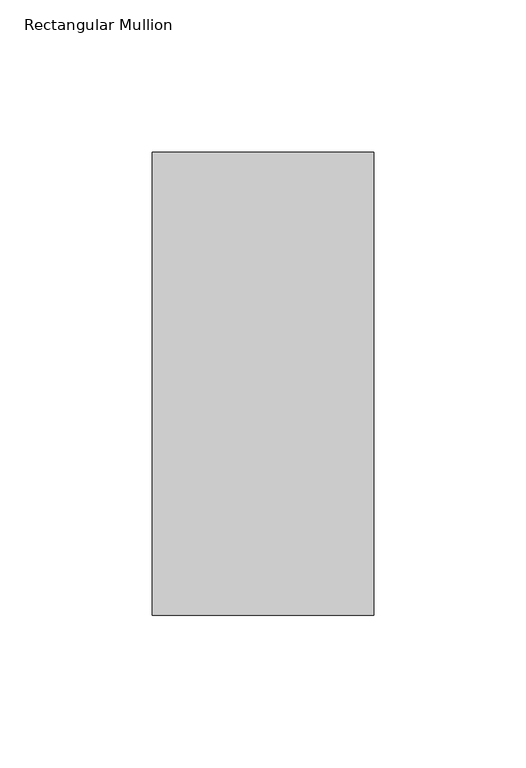
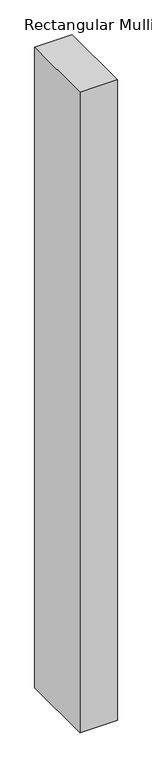
"""IFC4 building model written with IfcOpenShell, lengths in millimetres: member geometry, Rectangular Mullion."""

from ifc_helpers import new_model, si_unit, frame, origin, place, context, project, spatial, polyline, outline, extrude, source, transform, mapped, element, save


def rectangular_mullion_6696e70b(model_context):
    return source(origin(), model_context, "Body", "SweptSolid", [
        extrude(outline(polyline([(0.0, -26.19375), (-73.0248478, -26.19375), (-73.0248478, 126.20625), (0.0, 126.20625), (0.0, -26.19375)])), frame((0.0, 0.0, -1320.8), z_axis=(0.0, 0.0, 1.0), x_axis=(1.0, 0.0, 0.0)), (0.0, 0.0, 1.0), 1320.8),
    ])


if __name__ == "__main__":
    model = new_model("IFC4")
    model_context = context("Model", 3, world=origin())
    ifc_project = project(units=[si_unit("LENGTHUNIT", "METRE", prefix="MILLI")], contexts=[model_context])
    site = spatial("IfcSite", under=ifc_project)
    building = spatial("IfcBuilding", under=site)
    placement = place(None, origin())
    rectangular_mullion_shape = rectangular_mullion_6696e70b(model_context)
    element("IfcMember", 1, ObjectType="Rectangular Mullion", at=placement, inside=building, context=model_context, shape_type="MappedRepresentation", body=[
        mapped(rectangular_mullion_shape, transform((0.0, 0.0, 0.0), x_axis=(1.0, 0.0, 0.0), y_axis=(0.0, 1.0, 0.0), z_axis=(0.0, 0.0, 1.0))),
    ])
    save(model, "model.ifc")
